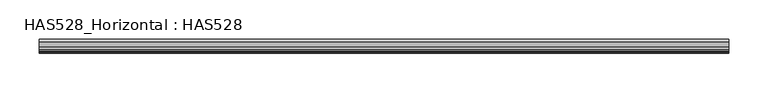
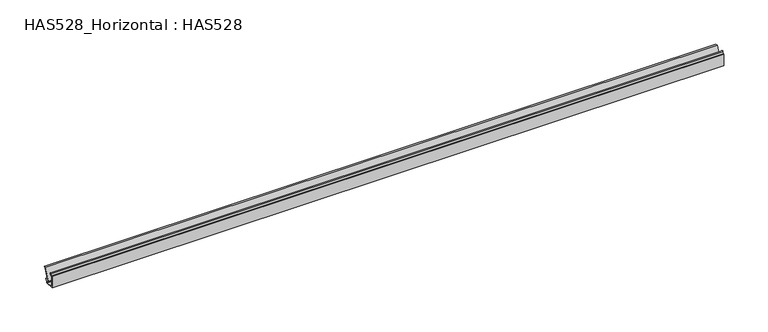
"""IFC4 building model written with IfcOpenShell, lengths in millimetres: beam geometry, HAS528_Horizontal : HAS528."""

from ifc_helpers import new_model, si_unit, point, frame, frame_2d, origin, place, context, project, spatial, polyline, circle_curve, trimmed, segment, composite_curve, outline, extrude, source, transform, mapped, element, save


def has528_horizontal_has528_6718970f(model_context):
    return source(origin(), model_context, "Body", "SweptSolid", [
        extrude(outline(composite_curve([segment(polyline([(15.4225352, -1.056338), (9.272437, -15.0531132)]), True, "CONTINUOUS"), segment(trimmed(circle_curve(frame_2d((9.6484855, -15.2183467)), 0.4107488), [point((9.272437, -15.0531132))], [point((9.8048781, -15.5981571))], True, "CARTESIAN"), True, "CONTINUOUS"), segment(polyline([(9.8048781, -15.5981571), (13.3777181, -14.1269877)]), True, "CONTINUOUS"), segment(trimmed(circle_curve(frame_2d((13.5345394, -14.5078395)), 0.411875), [point((13.3777181, -14.1269877))], [point((13.9290441, -14.6261909))], False, "CARTESIAN"), True, "CONTINUOUS"), segment(polyline([(13.9290441, -14.6261909), (13.3098592, -16.6901408), (11.8309859, -16.6901408), (11.8309859, -19.2253521), (0.0, -19.2253521), (0.0, -3.1690141), (1.6901408, -3.3802817), (3.1690141, -1.9014085), (2.7464789, -1.056338)]), True, "CONTINUOUS"), segment(trimmed(circle_curve(frame_2d((3.1852654, -0.8775731)), 0.4738043), [point((2.7464789, -1.056338))], [point((3.5915493, -0.6338028))], False, "CARTESIAN"), True, "CONTINUOUS"), segment(polyline([(3.5915493, -0.6338028), (4.4630282, -2.0862676), (1.056338, -5.4929577), (1.056338, -18.1690141), (10.3521127, -18.1690141), (10.3521127, -16.6901408), (9.5070423, -16.6901408), (8.2394366, -16.056338), (8.2394366, -14.7887324), (14.9813587, 0.0), (18.1690141, 0.0), (17.1126761, -1.056338), (15.4225352, -1.056338)]), True, "CONTINUOUS")], self_intersect=False)), frame((-440.4233142, 0.0, 0.0), z_axis=(1.0, 0.0, 0.0), x_axis=(0.0, 1.0, 0.0)), (0.0, 0.0, 1.0), 880.8466284),
    ])


if __name__ == "__main__":
    model = new_model("IFC4")
    model_context = context("Model", 3, world=origin())
    ifc_project = project(units=[si_unit("LENGTHUNIT", "METRE", prefix="MILLI")], contexts=[model_context])
    site = spatial("IfcSite", under=ifc_project)
    building = spatial("IfcBuilding", under=site)
    placement = place(None, origin())
    has528_horizontal_has528_shape = has528_horizontal_has528_6718970f(model_context)
    element("IfcBeam", 1, ObjectType="HAS528_Horizontal : HAS528", at=placement, inside=building, context=model_context, shape_type="MappedRepresentation", body=[
        mapped(has528_horizontal_has528_shape, transform((0.0, 0.0, 0.0), x_axis=(1.0, 0.0, 0.0), y_axis=(0.0, 1.0, 0.0), z_axis=(0.0, 0.0, 1.0))),
    ])
    save(model, "model.ifc")
